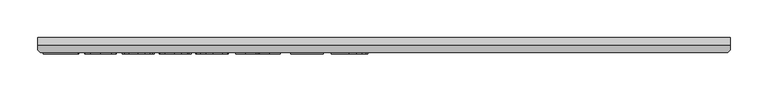
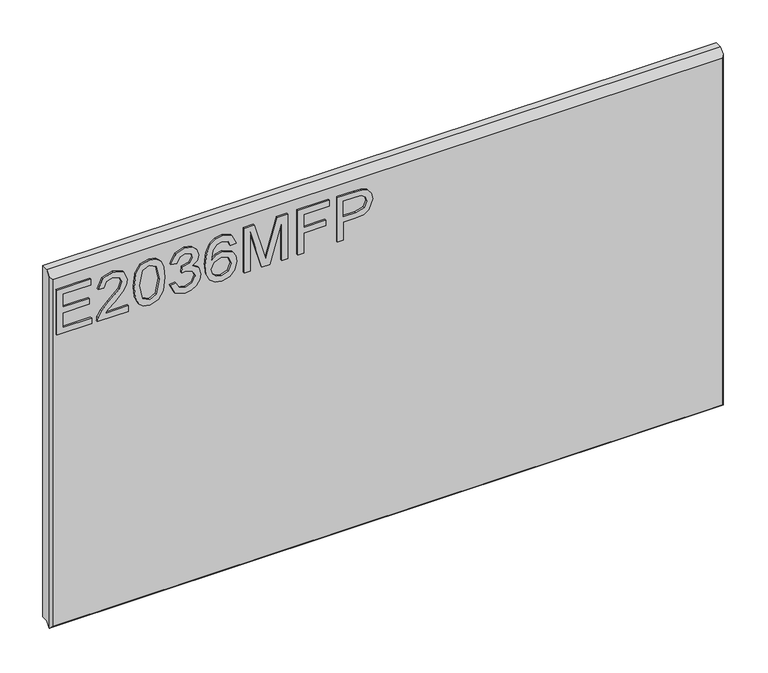
"""IFC4 building model written with IfcOpenShell, lengths in millimetres: furniture geometry."""

import ifcopenshell
import ifcopenshell.guid

model = None  # the IFC model being written
_history = None  # IfcOwnerHistory: only IFC2X3 demands one
_inside = {}  # id of a spatial element -> (the spatial element, [elements in it])
_under = {}  # id of a project, library or spatial element -> (it, [spatial elements below it])
_declared = {}  # id of a project -> (the project, [libraries it declares])
_typed = {}  # id of a type object -> (the type object, [elements of that type])
_made_of = {}  # id of a material, layer set ... -> (it, [elements and type objects made of it])


def new_model(schema):
    """Start an empty IFC model of exactly this schema.

    Asked for "IFC4X3", IfcOpenShell would pick the latest addendum, in which some entities
    have other attributes; the version numbers below select the first issue.
    IFC2X3 requires an IfcOwnerHistory on every rooted entity: one is made here for all.
    """
    global model, _history
    if schema == "IFC4X3":
        model = ifcopenshell.file(schema_version=(4, 3, 0, 0))
    else:
        model = ifcopenshell.file(schema=schema)
    _inside.clear()
    _under.clear()
    _declared.clear()
    _typed.clear()
    _made_of.clear()
    _history = None
    if model.schema == "IFC2X3":
        org = make("IfcOrganization", Name="unknown")
        user = make(
            "IfcPersonAndOrganization",
            ThePerson=make("IfcPerson", FamilyName="unknown"),
            TheOrganization=org,
        )
        app = make(
            "IfcApplication",
            ApplicationDeveloper=org,
            Version="unknown",
            ApplicationFullName="unknown",
            ApplicationIdentifier="unknown",
        )
        _history = make(
            "IfcOwnerHistory",
            OwningUser=user,
            OwningApplication=app,
            ChangeAction="ADDED",
            CreationDate=0,
        )
    return model


def make(cls, **values):
    """One entity of the class cls with the attributes given. An attribute that is None is left unset."""
    return model.create_entity(
        cls, **{name: value for name, value in values.items() if value is not None}
    )


def rooted(cls, **values):
    """An entity with a GlobalId (a new one), such as an element, a storey or a relation."""
    return make(cls, GlobalId=ifcopenshell.guid.new(), OwnerHistory=_history, **values)


def si_unit(unit_type, name, prefix=None):
    """IfcSIUnit, for example si_unit("LENGTHUNIT", "METRE", prefix="MILLI")."""
    return make("IfcSIUnit", UnitType=unit_type, Prefix=prefix, Name=name)


def assignment(units):
    """IfcUnitAssignment: the units of a project."""
    return None if units is None else make("IfcUnitAssignment", Units=units)


def point(xyz):
    """IfcCartesianPoint."""
    return None if xyz is None else make("IfcCartesianPoint", Coordinates=xyz)


def direction(xyz):
    """IfcDirection."""
    return None if xyz is None else make("IfcDirection", DirectionRatios=xyz)


def frame(location, z_axis=None, x_axis=None):
    """IfcAxis2Placement3D, a coordinate frame: its origin and axes. An axis left out is left unset."""
    return make(
        "IfcAxis2Placement3D",
        Location=point(location),
        Axis=direction(z_axis),
        RefDirection=direction(x_axis),
    )


def origin():
    """The frame at (0, 0, 0) with its axes left unset."""
    return frame((0.0, 0.0, 0.0))


def place(relative_to, where):
    """IfcLocalPlacement: puts the frame where relative to a parent placement (None: the world)."""
    return make(
        "IfcLocalPlacement", PlacementRelTo=relative_to, RelativePlacement=where
    )


def context(
    kind, dimensions, precision=None, world=None, true_north=None, identifier=None
):
    """IfcGeometricRepresentationContext, for example the 3D "Model" context."""
    return make(
        "IfcGeometricRepresentationContext",
        ContextIdentifier=identifier,
        ContextType=kind,
        CoordinateSpaceDimension=dimensions,
        Precision=precision,
        WorldCoordinateSystem=world,
        TrueNorth=true_north,
    )


def project(units=None, contexts=None):
    """IfcProject with its units and contexts."""
    return rooted(
        "IfcProject",
        Name="project",
        RepresentationContexts=contexts,
        UnitsInContext=assignment(units),
    )


def spatial(cls, under=None, at=None, **own):
    """A site, building, storey or space (cls), placed at a placement, below another one or the project."""
    s = rooted(cls, ObjectPlacement=at, **own)
    if under is not None:
        _under.setdefault(under.id(), (under, []))[1].append(s)
    return s


def polyline(points):
    """IfcPolyline through the points."""
    return make("IfcPolyline", Points=[point(p) for p in points])


def outline(outer, holes=None, kind="AREA"):
    """IfcArbitraryClosedProfileDef: a profile drawn as a closed curve; with holes, ...WithVoids."""
    if holes is None:
        return make("IfcArbitraryClosedProfileDef", ProfileType=kind, OuterCurve=outer)
    return make(
        "IfcArbitraryProfileDefWithVoids",
        ProfileType=kind,
        OuterCurve=outer,
        InnerCurves=holes,
    )


def extrude(swept, where, along, depth):
    """IfcExtrudedAreaSolid: the profile swept, set in the frame where, extruded along a direction by depth."""
    return make(
        "IfcExtrudedAreaSolid",
        SweptArea=swept,
        Position=where,
        ExtrudedDirection=direction(along),
        Depth=depth,
    )


def faces_of(points, faces, orient=None, outer=None):
    """IfcFace entities. A face is a list of loops; a loop is a list of indices into points, from 0.

    orient and outer hold one flag for each loop. By default every Orientation is true, the
    first loop of a face is its IfcFaceOuterBound and the others are IfcFaceBound.
    """
    made = []
    for i, loops in enumerate(faces):
        bounds = []
        for j, loop in enumerate(loops):
            is_outer = j == 0 if outer is None else outer[i][j]
            bounds.append(
                make(
                    "IfcFaceOuterBound" if is_outer else "IfcFaceBound",
                    Bound=make("IfcPolyLoop", Polygon=[points[k] for k in loop]),
                    Orientation=True if orient is None else orient[i][j],
                )
            )
        made.append(make("IfcFace", Bounds=bounds))
    return made


def faceted_brep(points, faces, orient=None, outer=None, voids=None):
    """IfcFacetedBrep: a solid bounded by flat faces; with voids (closed shells), ...WithVoids."""
    shared = [point(p) for p in points]
    hull = make("IfcClosedShell", CfsFaces=faces_of(shared, faces, orient, outer))
    if voids is None:
        return make("IfcFacetedBrep", Outer=hull)
    return make(
        "IfcFacetedBrepWithVoids",
        Outer=hull,
        Voids=[
            make(cls, CfsFaces=faces_of(shared, fs, o, b)) for cls, fs, o, b in voids
        ],
    )


def shape(context_of_items, identifier, shape_type, items):
    """IfcShapeRepresentation: the items that make up one representation, for example the "Body"."""
    return make(
        "IfcShapeRepresentation",
        ContextOfItems=context_of_items,
        RepresentationIdentifier=identifier,
        RepresentationType=shape_type,
        Items=items,
    )


def source(mapping_origin, context_of_items, identifier, shape_type, items):
    """IfcRepresentationMap: a shape defined once, which mapped items show again and again."""
    return make(
        "IfcRepresentationMap",
        MappingOrigin=mapping_origin,
        MappedRepresentation=shape(context_of_items, identifier, shape_type, items),
    )


def transform(
    local_origin,
    x_axis=None,
    y_axis=None,
    z_axis=None,
    scale=None,
    scale2=None,
    scale3=None,
    uniform=True,
):
    """IfcCartesianTransformationOperator3D, or its non-uniform kind. x_axis, y_axis, z_axis: its Axis1, 2, 3."""
    if uniform:
        return make(
            "IfcCartesianTransformationOperator3D",
            Axis1=direction(x_axis),
            Axis2=direction(y_axis),
            LocalOrigin=point(local_origin),
            Scale=scale,
            Axis3=direction(z_axis),
        )
    return make(
        "IfcCartesianTransformationOperator3DnonUniform",
        Axis1=direction(x_axis),
        Axis2=direction(y_axis),
        LocalOrigin=point(local_origin),
        Scale=scale,
        Axis3=direction(z_axis),
        Scale2=scale2,
        Scale3=scale3,
    )


def mapped(mapping_source, mapping_target):
    """IfcMappedItem: shows the shape of a source again, moved by a transform."""
    return make(
        "IfcMappedItem", MappingSource=mapping_source, MappingTarget=mapping_target
    )


def made_of(thing, what):
    """Note that an element or type object is made of a material, layer set ...; save() writes the relation."""
    if what is not None:
        _made_of.setdefault(what.id(), (what, []))[1].append(thing)
    return thing


def element(
    cls,
    number,
    at=None,
    inside=None,
    cuts=None,
    type_object=None,
    material=None,
    context=None,
    identifier="Body",
    shape_type=None,
    held_by="IfcProductDefinitionShape",
    body=None,
    shapes=None,
    **own,
):
    """One element of the class cls, such as IfcWall. Its Tag is "e" and its number.

    at: its placement. inside: the storey or other place that contains it. cuts: it is an
    opening in that element (IfcRelVoidsElement). A single representation is given by context,
    identifier, shape_type and body (its items); several are given by shapes. held_by: the class
    of the entity that holds the representations. save() writes the other relations.
    """
    e = rooted(cls, Tag="e%d" % number, ObjectPlacement=at, **own)
    if body is not None:
        shapes = [shape(context, identifier, shape_type, body)]
    if shapes is not None:
        e.Representation = make(held_by, Representations=shapes)
    if inside is not None:
        _inside.setdefault(inside.id(), (inside, []))[1].append(e)
    if cuts is not None:
        rooted(
            "IfcRelVoidsElement", RelatingBuildingElement=cuts, RelatedOpeningElement=e
        )
    if type_object is not None:
        _typed.setdefault(type_object.id(), (type_object, []))[1].append(e)
    return made_of(e, material)


def aggregate(whole, parts):
    """IfcRelAggregates: a whole, such as a stair, and the parts it consists of."""
    return rooted("IfcRelAggregates", RelatingObject=whole, RelatedObjects=parts)


def save(model, path):
    """Write the relations noted so far, then the file.

    IfcRelAggregates (storeys below a building ...), IfcRelContainedInSpatialStructure (elements
    in a storey), IfcRelDefinesByType, IfcRelAssociatesMaterial and IfcRelDeclares: one each for
    every whole, place, type object, material and project.
    """
    for whole, parts in _under.values():
        aggregate(whole, parts)
    for where, things in _inside.values():
        rooted(
            "IfcRelContainedInSpatialStructure",
            RelatedElements=things,
            RelatingStructure=where,
        )
    for kind, things in _typed.values():
        rooted("IfcRelDefinesByType", RelatedObjects=things, RelatingType=kind)
    for what, things in _made_of.values():
        rooted("IfcRelAssociatesMaterial", RelatedObjects=things, RelatingMaterial=what)
    for by, libraries in _declared.values():
        rooted("IfcRelDeclares", RelatingContext=by, RelatedDefinitions=libraries)
    model.write(path)


def furniture_92d8b04e(model_context):
    return source(origin(), model_context, "Body", "SolidModel", [
        extrude(outline(polyline([(1523.7940484, -279.0852904), (1523.7940484, -232.2396877), (1531.767768, -232.2396877), (1531.767768, -271.1115708), (1552.698782, -271.1115708), (1552.698782, -235.2298325), (1560.6725017, -235.2298325), (1560.6725017, -271.1115708), (1579.6100857, -271.1115708), (1579.6100857, -233.2364026), (1587.5838054, -233.2364026), (1587.5838054, -279.0852904), (1523.7940484, -279.0852904)])), frame((0.0, -21.9273438, 0.0), z_axis=(0.0, 1.0, 0.0), x_axis=(0.0, 0.0, 1.0)), (0.0, 0.0, 1.0), 2.38125),
        extrude(outline(polyline([(1531.767768, -182.40394), (1531.767768, -213.7225927), (1535.8247094, -210.1250747), (1543.4947424, -200.9521824), (1554.4196727, -189.5288946), (1562.2376556, -184.8178591), (1569.7986729, -183.400655), (1582.4756412, -188.656769), (1587.5838054, -202.9300386), (1582.9895724, -217.1565872), (1569.6429362, -223.2692531), (1568.6462213, -215.2955335), (1576.6978092, -211.9394073), (1579.6100857, -203.101349), (1576.6277277, -194.621485), (1569.3158891, -191.3743746), (1560.2831599, -194.8161559), (1546.9988184, -208.5832812), (1537.7558446, -218.5660044), (1529.2915543, -223.4094161), (1523.7940484, -224.265968), (1523.7940484, -182.40394), (1531.767768, -182.40394)])), frame((0.0, -21.9273438, 0.0), z_axis=(0.0, 1.0, 0.0), x_axis=(0.0, 0.0, 1.0)), (0.0, 0.0, 1.0), 2.38125),
        extrude(outline(polyline([(1555.1749957, -174.4302204), (1539.6597259, -172.841706), (1528.8710652, -168.0761626), (1524.3157664, -161.7843995), (1522.7973335, -153.4992064), (1526.2936226, -141.8267399), (1536.8992927, -134.8886694), (1555.1749957, -132.5681924), (1570.1646542, -134.0165438), (1579.6022989, -137.7542249), (1585.5280808, -144.1861511), (1587.5838054, -153.4992064), (1584.1108767, -165.1249519), (1573.5285672, -172.0863829), (1555.1749957, -174.4302204)]), holes=[polyline([(1555.1905694, -166.4565008), (1575.3428999, -162.5942304), (1579.6100857, -153.5926485), (1574.766674, -144.1550038), (1555.1905694, -140.5419121), (1535.4042202, -144.2795931), (1530.7710531, -153.4992064), (1535.3886466, -162.7188197), (1555.1905694, -166.4565008)])]), frame((0.0, -21.9273438, 0.0), z_axis=(0.0, 1.0, 0.0), x_axis=(0.0, 0.0, 1.0)), (0.0, 0.0, 1.0), 2.38125),
        extrude(outline(polyline([(1540.7382026, -125.5911878), (1527.7964819, -119.2527036), (1522.7973335, -105.2675469), (1524.2612586, -96.7448554), (1528.6530338, -89.8340389), (1535.1472547, -85.2553795), (1542.9185166, -83.7291598), (1553.2905815, -86.7815993), (1558.7413664, -95.4717078), (1564.0208409, -88.9307659), (1571.3716137, -86.7193046), (1579.4154149, -89.0475685), (1585.3957046, -95.7753944), (1587.5838054, -105.3921363), (1583.1453091, -118.0691046), (1570.6396512, -124.5944728), (1569.6429362, -116.6207532), (1577.1182984, -112.7117617), (1579.6100857, -105.1118102), (1577.1416589, -97.6053007), (1570.9044036, -94.6930242), (1563.8651042, -98.7110314), (1561.6692166, -109.0363754), (1553.695497, -109.9240746), (1554.5676226, -104.3331267), (1551.3049385, -95.2692501), (1543.0586796, -91.7028794), (1534.3062764, -95.3003974), (1530.7710531, -104.9872209), (1533.3407088, -113.2179061), (1541.7349176, -117.6174681), (1540.7382026, -125.5911878)])), frame((0.0, -21.9273438, 0.0), z_axis=(0.0, 1.0, 0.0), x_axis=(0.0, 0.0, 1.0)), (0.0, 0.0, 1.0), 2.38125),
        extrude(outline(polyline([(1570.6396512, -35.8868421), (1583.0830144, -41.7736898), (1587.5838054, -54.3727897), (1585.7655793, -63.6274438), (1580.3109009, -70.7718654), (1569.4521588, -76.0046189), (1553.5709076, -77.7488701), (1539.4455879, -76.177876), (1529.9612222, -71.4648938), (1524.5883056, -64.2601242), (1522.7973335, -55.2137679), (1525.4993654, -44.7638346), (1533.286201, -37.5220775), (1544.2889996, -34.8901271), (1552.4612835, -36.2878641), (1558.9749715, -40.481075), (1564.6593615, -54.0301689), (1562.5802764, -62.7436379), (1556.2184317, -69.7751504), (1570.4294066, -67.5091813), (1577.6789505, -62.0661832), (1579.6100857, -54.8711472), (1576.2928938, -46.8818539), (1569.6429362, -43.8605617), (1570.6396512, -35.8868421)]), holes=[polyline([(1544.413589, -69.7751504), (1553.2983684, -65.8116511), (1556.6856418, -56.1637619), (1553.2983684, -46.3912832), (1544.0242472, -42.8638467), (1534.3374238, -46.4380043), (1530.7710531, -55.8367148), (1532.4919437, -63.023964), (1537.5066658, -67.9296704), (1544.413589, -69.7751504)])]), frame((0.0, -21.9273438, 0.0), z_axis=(0.0, 1.0, 0.0), x_axis=(0.0, 0.0, 1.0)), (0.0, 0.0, 1.0), 2.38125),
        extrude(outline(polyline([(1523.7940484, -24.9229776), (1523.7940484, -16.949258), (1579.6100857, -16.949258), (1523.7940484, -0.9239504), (1523.7940484, 9.8841774), (1579.6100857, 25.909485), (1523.7940484, 25.909485), (1523.7940484, 33.8832046), (1587.5838054, 33.8832046), (1587.5838054, 20.1628003), (1543.4013004, 7.3300953), (1533.2316931, 4.4801135), (1542.6226168, 1.8481631), (1587.5838054, -11.2025733), (1587.5838054, -24.9229776), (1523.7940484, -24.9229776)])), frame((0.0, -21.9273438, 0.0), z_axis=(0.0, 1.0, 0.0), x_axis=(0.0, 0.0, 1.0)), (0.0, 0.0, 1.0), 2.38125),
        extrude(outline(polyline([(1523.7940484, 47.8372139), (1523.7940484, 55.8109335), (1552.698782, 55.8109335), (1552.698782, 85.7123821), (1560.6725017, 85.7123821), (1560.6725017, 55.8109335), (1579.6100857, 55.8109335), (1579.6100857, 90.6959569), (1587.5838054, 90.6959569), (1587.5838054, 47.8372139), (1523.7940484, 47.8372139)])), frame((0.0, -21.9273438, 0.0), z_axis=(0.0, 1.0, 0.0), x_axis=(0.0, 0.0, 1.0)), (0.0, 0.0, 1.0), 2.38125),
        extrude(outline(polyline([(1523.7940484, 101.6598213), (1523.7940484, 109.633541), (1549.7086372, 109.633541), (1549.7086372, 125.8457326), (1551.1180544, 137.1736317), (1555.3463061, 144.3706144), (1569.1290051, 149.5021391), (1577.8269004, 147.6021512), (1583.9940742, 142.5796422), (1586.9764322, 134.8317409), (1587.5838054, 125.3006541), (1587.5838054, 101.6598213), (1523.7940484, 101.6598213)]), holes=[polyline([(1557.6823568, 109.633541), (1579.6100857, 109.633541), (1579.6100857, 126.1260587), (1579.0650073, 134.0997783), (1575.4519156, 139.4804817), (1568.848679, 141.5284194), (1560.610207, 138.0554908), (1557.6823568, 126.3129427), (1557.6823568, 109.633541)])]), frame((0.0, -21.9273438, 0.0), z_axis=(0.0, 1.0, 0.0), x_axis=(0.0, 0.0, 1.0)), (0.0, 0.0, 1.0), 2.38125),
        faceted_brep([(628.3377049, 0.0, 1612.6940484), (-286.0622951, 0.0, 1612.6940484), (-286.0622951, -9.7234375, 1612.6940484), (628.3377049, -9.7234375, 1612.6940484), (-286.0622951, 0.0, 1108.1222661), (628.3377049, 0.0, 1108.1222661), (628.3377049, -10.0210916, 1108.1222661), (-286.0622951, -10.0210916, 1108.1222661), (-286.0622951, -16.3710916, 1101.7722661), (-286.0622951, -16.3710938, 1606.0463922), (625.1627049, -19.5460937, 1602.8713922), (-282.8872951, -19.5460937, 1602.8713922), (-282.8872951, -19.5460937, 1104.9472661), (625.162707, -19.5460937, 1104.9472661), (628.3377049, -16.3710938, 1606.0463922), (628.3377049, -16.3710938, 1101.7722661)], [[[0, 1, 2, 3]], [[4, 5, 6, 7]], [[1, 4, 7, 8, 9, 2]], [[10, 11, 12, 13]], [[5, 0, 3, 14, 15, 6]], [[1, 0, 5, 4]], [[3, 2, 9, 11, 10, 14]], [[6, 15, 8, 7]], [[8, 15, 13, 12]], [[9, 8, 12, 11]], [[10, 13, 15, 14]]]),
    ])


if __name__ == "__main__":
    model = new_model("IFC4")
    model_context = context("Model", 3, world=origin())
    ifc_project = project(units=[si_unit("LENGTHUNIT", "METRE", prefix="MILLI")], contexts=[model_context])
    site = spatial("IfcSite", under=ifc_project)
    building = spatial("IfcBuilding", under=site)
    placement = place(None, origin())
    furniture_shape = furniture_92d8b04e(model_context)
    element("IfcFurniture", 1, at=placement, inside=building, context=model_context, shape_type="MappedRepresentation", body=[
        mapped(furniture_shape, transform((0.0, 0.0, 0.0), x_axis=(1.0, 0.0, 0.0), y_axis=(0.0, 1.0, 0.0), z_axis=(0.0, 0.0, 1.0))),
    ])
    save(model, "model.ifc")
